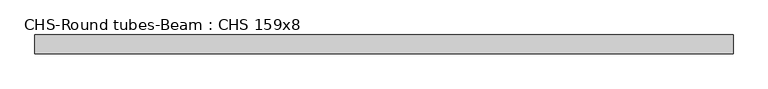
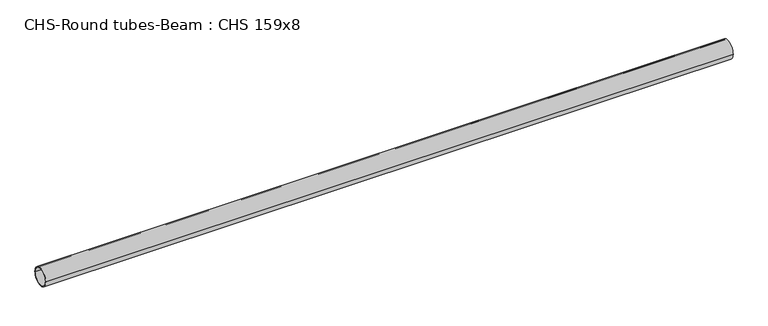
"""IFC4 building model written with IfcOpenShell, lengths in millimetres: beam geometry, CHS-Round tubes-Beam : CHS 159x8."""

from ifc_helpers import new_model, si_unit, point, frame, origin, origin_2d, place, context, project, spatial, circle_curve, trimmed, segment, composite_curve, outline, extrude, source, transform, mapped, element, save


def chs_round_tubes_beam_chs_159x8_c8585d3a(model_context):
    return source(origin(), model_context, "Body", "SweptSolid", [
        extrude(outline(composite_curve([segment(trimmed(circle_curve(origin_2d(), 79.5), [point((79.5, 0.0))], [point((-79.5, 0.0))], False, "CARTESIAN"), True, "CONTINUOUS"), segment(trimmed(circle_curve(origin_2d(), 79.5), [point((-79.5, 0.0))], [point((79.5, 0.0))], False, "CARTESIAN"), True, "CONTINUOUS")], self_intersect=False), holes=[composite_curve([segment(trimmed(circle_curve(origin_2d(), 71.5), [point((71.5, 0.0))], [point((-71.5, 0.0))], True, "CARTESIAN"), True, "CONTINUOUS"), segment(trimmed(circle_curve(origin_2d(), 71.5), [point((-71.5, 0.0))], [point((71.5, 0.0))], True, "CARTESIAN"), True, "CONTINUOUS")], self_intersect=False)]), frame((-2954.2969103, 0.0, 0.0), z_axis=(1.0, 0.0, 0.0), x_axis=(0.0, 1.0, 0.0)), (0.0, 0.0, 1.0), 5908.5938207),
    ])


if __name__ == "__main__":
    model = new_model("IFC4")
    model_context = context("Model", 3, world=origin())
    ifc_project = project(units=[si_unit("LENGTHUNIT", "METRE", prefix="MILLI")], contexts=[model_context])
    site = spatial("IfcSite", under=ifc_project)
    building = spatial("IfcBuilding", under=site)
    placement = place(None, origin())
    chs_round_tubes_beam_chs_159x8_shape = chs_round_tubes_beam_chs_159x8_c8585d3a(model_context)
    element("IfcBeam", 1, ObjectType="CHS-Round tubes-Beam : CHS 159x8", at=placement, inside=building, context=model_context, shape_type="MappedRepresentation", body=[
        mapped(chs_round_tubes_beam_chs_159x8_shape, transform((0.0, 0.0, 0.0), x_axis=(1.0, 0.0, 0.0), y_axis=(0.0, 1.0, 0.0), z_axis=(0.0, 0.0, 1.0))),
    ])
    save(model, "model.ifc")
